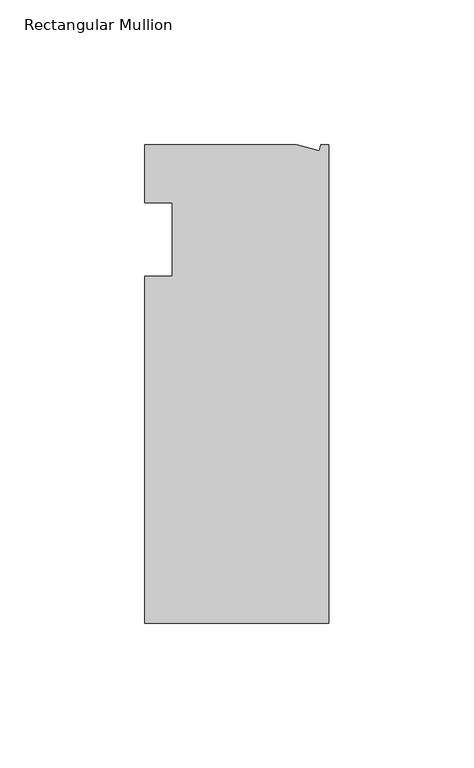
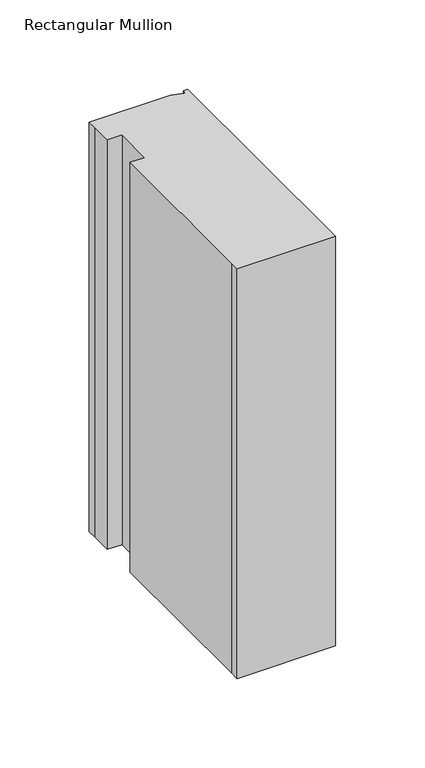
"""IFC4 building model written with IfcOpenShell, lengths in millimetres: member geometry, Rectangular Mullion."""

from ifc_helpers import new_model, si_unit, frame, origin, place, context, project, spatial, polyline, outline, extrude, source, transform, mapped, element, save


def rectangular_mullion_aafc82b9(model_context):
    return source(origin(), model_context, "Body", "SweptSolid", [
        extrude(outline(polyline([(0.0, -132.5561012), (-63.5, -132.5561012), (-63.5, -126.2061012), (-63.5, -12.8054199), (-53.975, -12.8054199), (-53.975, 12.5945801), (-63.5, 12.5945801), (-63.5, 26.1938988), (-63.5, 32.5438988), (-11.121847, 32.5438988), (-3.3341886, 30.4622958), (-2.7616541, 32.5438988), (0.0, 32.5438988), (0.0, -132.5561012)])), frame((0.0, 0.0, -279.4), z_axis=(0.0, 0.0, 1.0), x_axis=(1.0, 0.0, 0.0)), (0.0, 0.0, 1.0), 279.4),
    ])


if __name__ == "__main__":
    model = new_model("IFC4")
    model_context = context("Model", 3, world=origin())
    ifc_project = project(units=[si_unit("LENGTHUNIT", "METRE", prefix="MILLI")], contexts=[model_context])
    site = spatial("IfcSite", under=ifc_project)
    building = spatial("IfcBuilding", under=site)
    placement = place(None, origin())
    rectangular_mullion_shape = rectangular_mullion_aafc82b9(model_context)
    element("IfcMember", 1, ObjectType="Rectangular Mullion", at=placement, inside=building, context=model_context, shape_type="MappedRepresentation", body=[
        mapped(rectangular_mullion_shape, transform((0.0, 0.0, 0.0), x_axis=(1.0, 0.0, 0.0), y_axis=(0.0, 1.0, 0.0), z_axis=(0.0, 0.0, 1.0))),
    ])
    save(model, "model.ifc")
